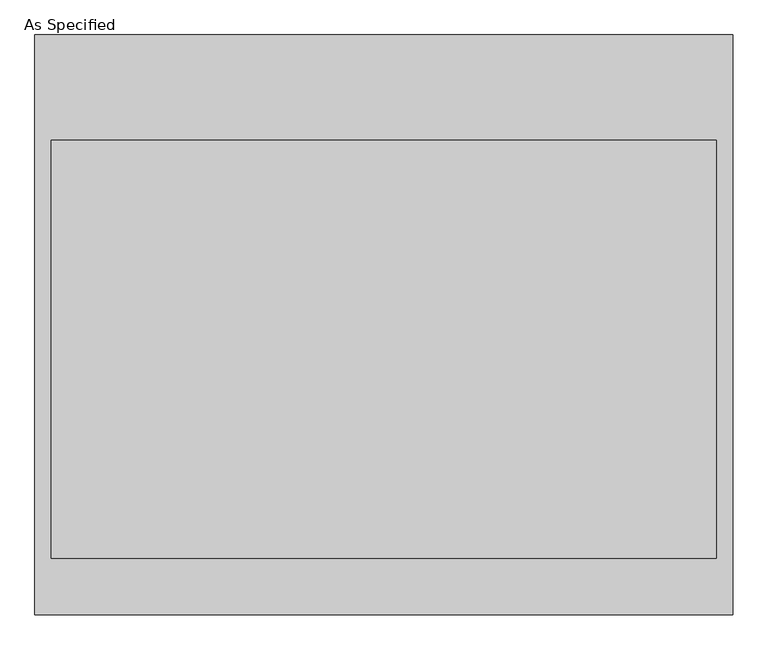
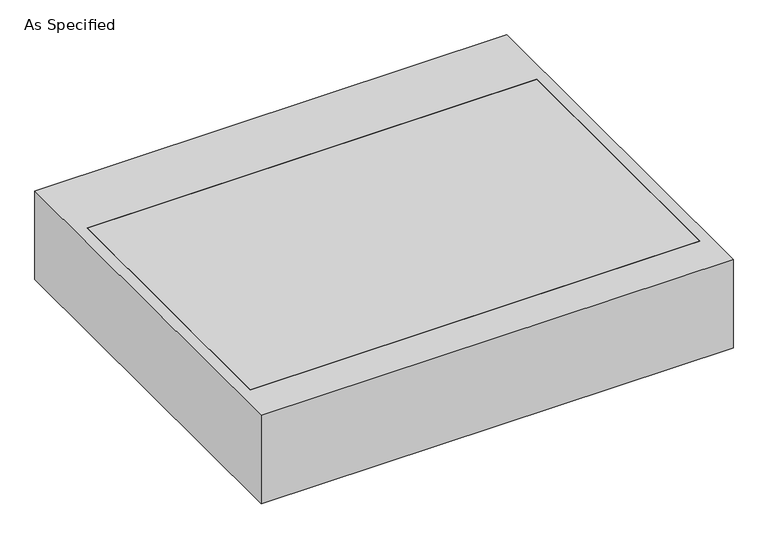
"""IFC4 building model written with IfcOpenShell, lengths in millimetres: proxy geometry, As Specified."""

from ifc_helpers import new_model, si_unit, frame, origin, place, context, project, spatial, polyline, outline, extrude, source, transform, mapped, element, save


def as_specified_31600fa0(model_context):
    return source(origin(), model_context, "Body", "SweptSolid", [
        extrude(outline(polyline([(-1273.175, -1057.275), (-1273.175, 1057.275), (1273.175, 1057.275), (1273.175, -1057.275), (-1273.175, -1057.275)]), holes=[polyline([(1212.85, 673.1), (-1212.85, 673.1), (-1212.85, -850.9), (1212.85, -850.9), (1212.85, 673.1)])]), frame((0.0, 0.0, -530.225), z_axis=(0.0, 0.0, 1.0), x_axis=(1.0, 0.0, 0.0)), (0.0, 0.0, 1.0), 504.825),
        extrude(outline(polyline([(1212.85, 673.1), (1212.85, -850.9), (-1212.85, -850.9), (-1212.85, 673.1), (1212.85, 673.1)])), frame((0.0, 0.0, -530.225), z_axis=(0.0, 0.0, 1.0), x_axis=(1.0, 0.0, 0.0)), (0.0, 0.0, 1.0), 504.825),
    ])


if __name__ == "__main__":
    model = new_model("IFC4")
    model_context = context("Model", 3, world=origin())
    ifc_project = project(units=[si_unit("LENGTHUNIT", "METRE", prefix="MILLI")], contexts=[model_context])
    site = spatial("IfcSite", under=ifc_project)
    building = spatial("IfcBuilding", under=site)
    placement = place(None, origin())
    as_specified_shape = as_specified_31600fa0(model_context)
    element("IfcBuildingElementProxy", 1, Name="As Specified", ObjectType="As Specified", at=placement, inside=building, context=model_context, shape_type="MappedRepresentation", body=[
        mapped(as_specified_shape, transform((0.0, 0.0, 0.0), x_axis=(1.0, 0.0, 0.0), y_axis=(0.0, 1.0, 0.0), z_axis=(0.0, 0.0, 1.0))),
    ])
    save(model, "model.ifc")
